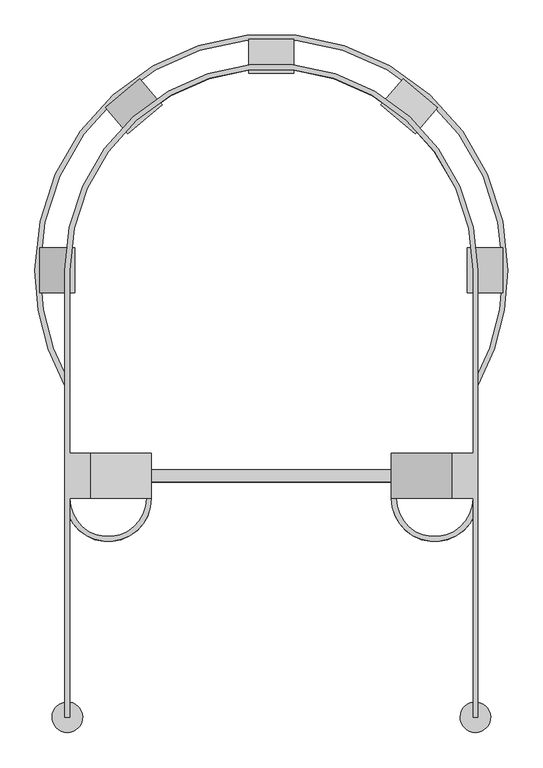
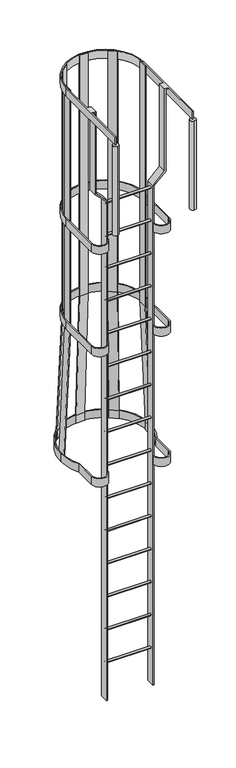
"""IFC4 building model written with IfcOpenShell, lengths in millimetres: proxy geometry."""

from ifc_helpers import new_model, si_unit, point, frame, frame_2d, origin, place, context, project, spatial, polyline, circle_curve, trimmed, segment, composite_curve, outline, extrude, source, transform, mapped, element, save
from ifc_brep_helpers import plane_surface, cylinder_surface, revolved_surface, advanced_brep


def specialty_equipment_8408ae57(model_context):
    return source(origin(), model_context, "Body", "SolidModel", [
        extrude(outline(composite_curve([segment(trimmed(circle_curve(frame_2d((272.0, 365.2)), 72.0), [point((344.0, 365.2))], [point((200.0, 365.2))], False, "CARTESIAN"), True, "CONTINUOUS"), segment(polyline([(200.0, 365.2), (208.0, 365.2)]), True, "CONTINUOUS"), segment(trimmed(circle_curve(frame_2d((272.0, 365.2)), 64.0), [point((208.0, 365.2))], [point((336.0, 365.2))], True, "CARTESIAN"), True, "CONTINUOUS"), segment(polyline([(336.0, 365.2), (336.0, 745.2)]), True, "CONTINUOUS"), segment(trimmed(circle_curve(frame_2d((0.0, 745.2)), 336.0), [point((336.0, 745.2))], [point((-336.0, 745.2))], True, "CARTESIAN"), True, "CONTINUOUS"), segment(polyline([(-336.0, 745.2), (-336.0, 365.2)]), True, "CONTINUOUS"), segment(trimmed(circle_curve(frame_2d((-272.0, 365.2)), 64.0), [point((-336.0, 365.2))], [point((-208.0, 365.2))], True, "CARTESIAN"), True, "CONTINUOUS"), segment(polyline([(-208.0, 365.2), (-200.0, 365.2)]), True, "CONTINUOUS"), segment(trimmed(circle_curve(frame_2d((-272.0, 365.2)), 72.0), [point((-200.0, 365.2))], [point((-344.0, 365.2))], False, "CARTESIAN"), True, "CONTINUOUS"), segment(polyline([(-344.0, 365.2), (-344.0, 745.2)]), True, "CONTINUOUS"), segment(trimmed(circle_curve(frame_2d((0.0, 745.2)), 344.0), [point((-344.0, 745.2))], [point((344.0, 745.2))], False, "CARTESIAN"), True, "CONTINUOUS"), segment(polyline([(344.0, 745.2), (344.0, 365.2)]), True, "CONTINUOUS")], self_intersect=False)), frame((0.0, 0.0, -1335.0), z_axis=(0.0, 0.0, 1.0), x_axis=(1.0, 0.0, 0.0)), (0.0, 0.0, 1.0), 75.0),
        extrude(outline(composite_curve([segment(trimmed(circle_curve(frame_2d((402.7, -4270.0)), 10.0), [point((392.7, -4270.0))], [point((412.7, -4270.0))], False, "CARTESIAN"), True, "CONTINUOUS"), segment(trimmed(circle_curve(frame_2d((402.7, -4270.0)), 10.0), [point((412.7, -4270.0))], [point((392.7, -4270.0))], False, "CARTESIAN"), True, "CONTINUOUS")], self_intersect=False)), frame((-200.0, 0.0, 0.0), z_axis=(1.0, 0.0, 0.0), x_axis=(0.0, 1.0, 0.0)), (0.0, 0.0, 1.0), 400.0),
        extrude(outline(composite_curve([segment(trimmed(circle_curve(frame_2d((402.7, -3965.0)), 10.0), [point((392.7, -3965.0))], [point((412.7, -3965.0))], False, "CARTESIAN"), True, "CONTINUOUS"), segment(trimmed(circle_curve(frame_2d((402.7, -3965.0)), 10.0), [point((412.7, -3965.0))], [point((392.7, -3965.0))], False, "CARTESIAN"), True, "CONTINUOUS")], self_intersect=False)), frame((-200.0, 0.0, 0.0), z_axis=(1.0, 0.0, 0.0), x_axis=(0.0, 1.0, 0.0)), (0.0, 0.0, 1.0), 400.0),
        extrude(outline(composite_curve([segment(trimmed(circle_curve(frame_2d((402.7, -3660.0)), 10.0), [point((392.7, -3660.0))], [point((412.7, -3660.0))], False, "CARTESIAN"), True, "CONTINUOUS"), segment(trimmed(circle_curve(frame_2d((402.7, -3660.0)), 10.0), [point((412.7, -3660.0))], [point((392.7, -3660.0))], False, "CARTESIAN"), True, "CONTINUOUS")], self_intersect=False)), frame((-200.0, 0.0, 0.0), z_axis=(1.0, 0.0, 0.0), x_axis=(0.0, 1.0, 0.0)), (0.0, 0.0, 1.0), 400.0),
        extrude(outline(composite_curve([segment(trimmed(circle_curve(frame_2d((402.7, -3355.0)), 10.0), [point((392.7, -3355.0))], [point((412.7, -3355.0))], False, "CARTESIAN"), True, "CONTINUOUS"), segment(trimmed(circle_curve(frame_2d((402.7, -3355.0)), 10.0), [point((412.7, -3355.0))], [point((392.7, -3355.0))], False, "CARTESIAN"), True, "CONTINUOUS")], self_intersect=False)), frame((-200.0, 0.0, 0.0), z_axis=(1.0, 0.0, 0.0), x_axis=(0.0, 1.0, 0.0)), (0.0, 0.0, 1.0), 400.0),
        extrude(outline(composite_curve([segment(trimmed(circle_curve(frame_2d((402.7, -3050.0)), 10.0), [point((392.7, -3050.0))], [point((412.7, -3050.0))], False, "CARTESIAN"), True, "CONTINUOUS"), segment(trimmed(circle_curve(frame_2d((402.7, -3050.0)), 10.0), [point((412.7, -3050.0))], [point((392.7, -3050.0))], False, "CARTESIAN"), True, "CONTINUOUS")], self_intersect=False)), frame((-200.0, 0.0, 0.0), z_axis=(1.0, 0.0, 0.0), x_axis=(0.0, 1.0, 0.0)), (0.0, 0.0, 1.0), 400.0),
        extrude(outline(composite_curve([segment(trimmed(circle_curve(frame_2d((402.7, -2745.0)), 10.0), [point((392.7, -2745.0))], [point((412.7, -2745.0))], False, "CARTESIAN"), True, "CONTINUOUS"), segment(trimmed(circle_curve(frame_2d((402.7, -2745.0)), 10.0), [point((412.7, -2745.0))], [point((392.7, -2745.0))], False, "CARTESIAN"), True, "CONTINUOUS")], self_intersect=False)), frame((-200.0, 0.0, 0.0), z_axis=(1.0, 0.0, 0.0), x_axis=(0.0, 1.0, 0.0)), (0.0, 0.0, 1.0), 400.0),
        extrude(outline(composite_curve([segment(trimmed(circle_curve(frame_2d((402.7, -2440.0)), 10.0), [point((392.7, -2440.0))], [point((412.7, -2440.0))], False, "CARTESIAN"), True, "CONTINUOUS"), segment(trimmed(circle_curve(frame_2d((402.7, -2440.0)), 10.0), [point((412.7, -2440.0))], [point((392.7, -2440.0))], False, "CARTESIAN"), True, "CONTINUOUS")], self_intersect=False)), frame((-200.0, 0.0, 0.0), z_axis=(1.0, 0.0, 0.0), x_axis=(0.0, 1.0, 0.0)), (0.0, 0.0, 1.0), 400.0),
        extrude(outline(composite_curve([segment(trimmed(circle_curve(frame_2d((272.0, 365.2)), 72.0), [point((344.0, 365.2))], [point((200.0, 365.2))], False, "CARTESIAN"), True, "CONTINUOUS"), segment(polyline([(200.0, 365.2), (208.0, 365.2)]), True, "CONTINUOUS"), segment(trimmed(circle_curve(frame_2d((272.0, 365.2)), 64.0), [point((208.0, 365.2))], [point((336.0, 365.2))], True, "CARTESIAN"), True, "CONTINUOUS"), segment(polyline([(336.0, 365.2), (336.0, 745.2)]), True, "CONTINUOUS"), segment(trimmed(circle_curve(frame_2d((0.0, 745.2)), 336.0), [point((336.0, 745.2))], [point((-336.0, 745.2))], True, "CARTESIAN"), True, "CONTINUOUS"), segment(polyline([(-336.0, 745.2), (-336.0, 365.2)]), True, "CONTINUOUS"), segment(trimmed(circle_curve(frame_2d((-272.0, 365.2)), 64.0), [point((-336.0, 365.2))], [point((-208.0, 365.2))], True, "CARTESIAN"), True, "CONTINUOUS"), segment(polyline([(-208.0, 365.2), (-200.0, 365.2)]), True, "CONTINUOUS"), segment(trimmed(circle_curve(frame_2d((-272.0, 365.2)), 72.0), [point((-200.0, 365.2))], [point((-344.0, 365.2))], False, "CARTESIAN"), True, "CONTINUOUS"), segment(polyline([(-344.0, 365.2), (-344.0, 745.2)]), True, "CONTINUOUS"), segment(trimmed(circle_curve(frame_2d((0.0, 745.2)), 344.0), [point((-344.0, 745.2))], [point((344.0, 745.2))], False, "CARTESIAN"), True, "CONTINUOUS"), segment(polyline([(344.0, 745.2), (344.0, 365.2)]), True, "CONTINUOUS")], self_intersect=False)), frame((0.0, 0.0, -385.0), z_axis=(0.0, 0.0, 1.0), x_axis=(1.0, 0.0, 0.0)), (0.0, 0.0, 1.0), 75.0),
        extrude(outline(composite_curve([segment(trimmed(circle_curve(frame_2d((402.7, -2135.0)), 10.0), [point((392.7, -2135.0))], [point((412.7, -2135.0))], False, "CARTESIAN"), True, "CONTINUOUS"), segment(trimmed(circle_curve(frame_2d((402.7, -2135.0)), 10.0), [point((412.7, -2135.0))], [point((392.7, -2135.0))], False, "CARTESIAN"), True, "CONTINUOUS")], self_intersect=False)), frame((-200.0, 0.0, 0.0), z_axis=(1.0, 0.0, 0.0), x_axis=(0.0, 1.0, 0.0)), (0.0, 0.0, 1.0), 400.0),
        extrude(outline(composite_curve([segment(trimmed(circle_curve(frame_2d((402.7, -1830.0)), 10.0), [point((392.7, -1830.0))], [point((412.7, -1830.0))], False, "CARTESIAN"), True, "CONTINUOUS"), segment(trimmed(circle_curve(frame_2d((402.7, -1830.0)), 10.0), [point((412.7, -1830.0))], [point((392.7, -1830.0))], False, "CARTESIAN"), True, "CONTINUOUS")], self_intersect=False)), frame((-200.0, 0.0, 0.0), z_axis=(1.0, 0.0, 0.0), x_axis=(0.0, 1.0, 0.0)), (0.0, 0.0, 1.0), 400.0),
        extrude(outline(composite_curve([segment(trimmed(circle_curve(frame_2d((402.7, -1525.0)), 10.0), [point((392.7, -1525.0))], [point((412.7, -1525.0))], False, "CARTESIAN"), True, "CONTINUOUS"), segment(trimmed(circle_curve(frame_2d((402.7, -1525.0)), 10.0), [point((412.7, -1525.0))], [point((392.7, -1525.0))], False, "CARTESIAN"), True, "CONTINUOUS")], self_intersect=False)), frame((-200.0, 0.0, 0.0), z_axis=(1.0, 0.0, 0.0), x_axis=(0.0, 1.0, 0.0)), (0.0, 0.0, 1.0), 400.0),
        extrude(outline(composite_curve([segment(trimmed(circle_curve(frame_2d((402.7, -1220.0)), 10.0), [point((392.7, -1220.0))], [point((412.7, -1220.0))], False, "CARTESIAN"), True, "CONTINUOUS"), segment(trimmed(circle_curve(frame_2d((402.7, -1220.0)), 10.0), [point((412.7, -1220.0))], [point((392.7, -1220.0))], False, "CARTESIAN"), True, "CONTINUOUS")], self_intersect=False)), frame((-200.0, 0.0, 0.0), z_axis=(1.0, 0.0, 0.0), x_axis=(0.0, 1.0, 0.0)), (0.0, 0.0, 1.0), 400.0),
        extrude(outline(composite_curve([segment(trimmed(circle_curve(frame_2d((402.7, -915.0)), 10.0), [point((392.7, -915.0))], [point((412.7, -915.0))], False, "CARTESIAN"), True, "CONTINUOUS"), segment(trimmed(circle_curve(frame_2d((402.7, -915.0)), 10.0), [point((412.7, -915.0))], [point((392.7, -915.0))], False, "CARTESIAN"), True, "CONTINUOUS")], self_intersect=False)), frame((-200.0, 0.0, 0.0), z_axis=(1.0, 0.0, 0.0), x_axis=(0.0, 1.0, 0.0)), (0.0, 0.0, 1.0), 400.0),
        extrude(outline(composite_curve([segment(trimmed(circle_curve(frame_2d((402.7, -610.0)), 10.0), [point((392.7, -610.0))], [point((412.7, -610.0))], False, "CARTESIAN"), True, "CONTINUOUS"), segment(trimmed(circle_curve(frame_2d((402.7, -610.0)), 10.0), [point((412.7, -610.0))], [point((392.7, -610.0))], False, "CARTESIAN"), True, "CONTINUOUS")], self_intersect=False)), frame((-200.0, 0.0, 0.0), z_axis=(1.0, 0.0, 0.0), x_axis=(0.0, 1.0, 0.0)), (0.0, 0.0, 1.0), 400.0),
        extrude(outline(composite_curve([segment(trimmed(circle_curve(frame_2d((402.7, -305.0)), 10.0), [point((392.7, -305.0))], [point((412.7, -305.0))], False, "CARTESIAN"), True, "CONTINUOUS"), segment(trimmed(circle_curve(frame_2d((402.7, -305.0)), 10.0), [point((412.7, -305.0))], [point((392.7, -305.0))], False, "CARTESIAN"), True, "CONTINUOUS")], self_intersect=False)), frame((-200.0, 0.0, 0.0), z_axis=(1.0, 0.0, 0.0), x_axis=(0.0, 1.0, 0.0)), (0.0, 0.0, 1.0), 400.0),
        extrude(outline(composite_curve([segment(trimmed(circle_curve(frame_2d((402.7, 0.0)), 10.0), [point((392.7, 0.0))], [point((412.7, 0.0))], False, "CARTESIAN"), True, "CONTINUOUS"), segment(trimmed(circle_curve(frame_2d((402.7, 0.0)), 10.0), [point((412.7, 0.0))], [point((392.7, 0.0))], False, "CARTESIAN"), True, "CONTINUOUS")], self_intersect=False)), frame((-200.0, 0.0, 0.0), z_axis=(1.0, 0.0, 0.0), x_axis=(0.0, 1.0, 0.0)), (0.0, 0.0, 1.0), 400.0),
        advanced_brep(
        [(-336.03125, 0.0, 900.0), (-344.03125, 0.0, 900.0), (-344.03125, 0.0, 825.0), (-336.03125, 0.0, 825.0), (-336.03125, 365.2, 900.0), (-301.6, 365.2, 900.0), (-301.6, 440.2, 900.0), (-336.03125, 440.2, 900.0), (-336.03125, 745.2, 900.0), (336.03125, 745.2, 900.0), (336.03125, 440.2, 900.0), (301.6, 440.2, 900.0), (301.6, 365.2, 900.0), (336.03125, 365.2, 900.0), (336.03125, 0.0, 900.0), (344.03125, 0.0, 900.0), (344.03125, 745.2, 900.0), (-344.03125, 745.2, 900.0), (-344.03125, 745.2, 825.0), (-344.03125, 25.0780586, 825.0), (344.03125, 745.2, 825.0), (344.03125, 25.0780586, 825.0), (340.0, 25.4, 825.0), (336.03125, 25.0880255, 825.0), (336.03125, 745.2, 825.0), (-336.03125, 745.2, 825.0), (-336.03125, 25.0880255, 825.0), (-340.0, 25.4, 825.0), (-336.03125, 440.2, 890.0), (-336.03125, 365.2, 890.0), (336.03125, 0.0, 825.0), (344.03125, 0.0, 825.0), (336.03125, 365.2, 890.0), (336.03125, 440.2, 890.0), (301.6, 365.2, 137.4921356), (200.0, 365.2, 35.8921356), (200.0, 365.2, -4600.0), (210.0, 365.2, -4600.0), (210.0, 365.2, 31.75), (311.6, 365.2, 133.35), (311.6, 365.2, 890.0), (311.6, 440.2, 890.0), (311.6, 440.2, 133.35), (210.0, 440.2, 31.75), (210.0, 440.2, -4600.0), (200.0, 440.2, -4600.0), (200.0, 440.2, 35.8921356), (301.6, 440.2, 137.4921356), (-311.6, 365.2, 890.0), (-311.6, 365.2, 133.35), (-210.0, 365.2, 31.75), (-210.0, 365.2, -4600.0), (-200.0, 365.2, -4600.0), (-200.0, 365.2, 35.8921356), (-301.6, 365.2, 137.4921356), (-301.6, 440.2, 137.4921356), (-200.0, 440.2, 35.8921356), (-200.0, 440.2, -4600.0), (-210.0, 440.2, -4600.0), (-210.0, 440.2, 31.75), (-311.6, 440.2, 133.35), (-311.6, 440.2, 890.0), (-340.0, 25.4, 0.0), (-340.0, -25.4, 0.0), (-340.0, -25.4, 825.0), (340.0, 25.4, 0.0), (340.0, -25.4, 0.0), (340.0, -25.4, 825.0)],
        [
            (0, 1),
            (1, 2),
            (2, 3),
            (3, 0),
            (0, 4),
            (4, 5),
            (5, 6),
            (6, 7),
            (7, 8),
            (8, 9, circle_curve(frame((0.0, 745.2, 900.0), z_axis=(0.0, 0.0, -1.0), x_axis=(-1.0, 0.0, 0.0)), 336.03125)),
            (9, 10),
            (10, 11),
            (11, 12),
            (12, 13),
            (13, 14),
            (14, 15),
            (15, 16),
            (16, 17, circle_curve(frame((0.0, 745.2, 900.0), z_axis=(0.0, 0.0, 1.0), x_axis=(-1.0, 0.0, 0.0)), 344.03125)),
            (17, 1),
            (17, 18),
            (18, 19),
            (19, 2),
            (18, 20, circle_curve(frame((0.0, 745.2, 825.0), z_axis=(0.0, 0.0, -1.0), x_axis=(-1.0, 0.0, 0.0)), 344.03125)),
            (20, 21),
            (21, 22, circle_curve(frame((340.0, 0.0, 825.0), z_axis=(0.0, 0.0, 1.0), x_axis=(0.0, -1.0, 0.0)), 25.4)),
            (22, 23, circle_curve(frame((340.0, 0.0, 825.0), z_axis=(0.0, 0.0, 1.0), x_axis=(0.0, -1.0, 0.0)), 25.4)),
            (23, 24),
            (24, 25, circle_curve(frame((0.0, 745.2, 825.0), z_axis=(0.0, 0.0, 1.0), x_axis=(-1.0, 0.0, 0.0)), 336.03125)),
            (25, 26),
            (26, 27, circle_curve(frame((-340.0, 0.0, 825.0), z_axis=(0.0, 0.0, 1.0), x_axis=(0.0, -1.0, 0.0)), 25.4)),
            (27, 19, circle_curve(frame((-340.0, 0.0, 825.0), z_axis=(0.0, 0.0, 1.0), x_axis=(0.0, -1.0, 0.0)), 25.4)),
            (3, 26),
            (25, 8),
            (7, 28),
            (28, 29),
            (29, 4),
            (16, 20),
            (24, 9),
            (14, 30),
            (30, 31),
            (31, 15),
            (31, 21),
            (23, 30),
            (13, 32),
            (32, 33),
            (33, 10),
            (12, 34),
            (34, 35),
            (35, 36),
            (36, 37),
            (37, 38),
            (38, 39),
            (39, 40),
            (40, 32),
            (41, 42),
            (42, 43),
            (43, 44),
            (44, 45),
            (45, 46),
            (46, 47),
            (47, 11),
            (33, 41),
            (47, 34),
            (46, 35),
            (45, 36),
            (44, 37),
            (43, 38),
            (42, 39),
            (41, 40),
            (48, 49),
            (49, 50),
            (50, 51),
            (51, 52),
            (52, 53),
            (53, 54),
            (54, 5),
            (29, 48),
            (6, 55),
            (55, 56),
            (56, 57),
            (57, 58),
            (58, 59),
            (59, 60),
            (60, 61),
            (61, 28),
            (48, 61),
            (60, 49),
            (59, 50),
            (58, 51),
            (57, 52),
            (56, 53),
            (55, 54),
            (62, 63, circle_curve(frame((-340.0, 0.0, 0.0), z_axis=(0.0, 0.0, -1.0), x_axis=(0.0, -1.0, 0.0)), 25.4)),
            (63, 62, circle_curve(frame((-340.0, 0.0, 0.0), z_axis=(0.0, 0.0, -1.0), x_axis=(0.0, -1.0, 0.0)), 25.4)),
            (19, 64, circle_curve(frame((-340.0, 0.0, 825.0), z_axis=(0.0, 0.0, 1.0), x_axis=(0.0, -1.0, 0.0)), 25.4)),
            (64, 26, circle_curve(frame((-340.0, 0.0, 825.0), z_axis=(0.0, 0.0, 1.0), x_axis=(0.0, -1.0, 0.0)), 25.4)),
            (62, 27),
            (64, 63),
            (65, 66, circle_curve(frame((340.0, 0.0, 0.0), z_axis=(0.0, 0.0, -1.0), x_axis=(0.0, -1.0, 0.0)), 25.4)),
            (66, 65, circle_curve(frame((340.0, 0.0, 0.0), z_axis=(0.0, 0.0, -1.0), x_axis=(0.0, -1.0, 0.0)), 25.4)),
            (67, 21, circle_curve(frame((340.0, 0.0, 825.0), z_axis=(0.0, 0.0, 1.0), x_axis=(0.0, -1.0, 0.0)), 25.4)),
            (23, 67, circle_curve(frame((340.0, 0.0, 825.0), z_axis=(0.0, 0.0, 1.0), x_axis=(0.0, -1.0, 0.0)), 25.4)),
            (65, 22),
            (67, 66),
        ],
        [
            plane_surface(frame((-340.0, 0.0, 0.0), z_axis=(0.0, -1.0, 0.0), x_axis=(0.0, 0.0, 1.0))),
            plane_surface(frame((-336.03125, 0.0, 900.0), z_axis=(0.0, 0.0, 1.0), x_axis=(0.0, 1.0, 0.0))),
            plane_surface(frame((-344.03125, 0.0, 900.0), z_axis=(-1.0, 0.0, 0.0), x_axis=(0.0, 1.0, 0.0))),
            plane_surface(frame((-344.03125, 0.0, 825.0), z_axis=(0.0, 0.0, -1.0), x_axis=(0.0, 1.0, 0.0))),
            plane_surface(frame((-336.03125, 0.0, 825.0), z_axis=(1.0, 0.0, 0.0), x_axis=(0.0, 1.0, 0.0))),
            cylinder_surface(frame((0.0, 745.2, 0.0), z_axis=(0.0, 0.0, -1.0), x_axis=(-1.0, 0.0, 0.0)), 344.03125),
            revolved_surface(polyline([(-336.03125, 745.2, 825.0), (-336.03125, 745.2, 900.0)]), (0.0, 745.2, 0.0), (0.0, 0.0, -1.0)),
            plane_surface(frame((340.0, 0.0, 0.0), z_axis=(0.0, -1.0, 0.0), x_axis=(0.0, 0.0, 1.0))),
            plane_surface(frame((344.03125, 745.2, 900.0), z_axis=(1.0, 0.0, 0.0), x_axis=(0.0, -1.0, 0.0))),
            plane_surface(frame((336.03125, 745.2, 825.0), z_axis=(-1.0, 0.0, 0.0), x_axis=(0.0, -1.0, 0.0))),
            plane_surface(frame((270.9170109, 365.2, 0.0), z_axis=(0.0, -1.0, 0.0), x_axis=(0.0, 0.0, 1.0))),
            plane_surface(frame((270.9170109, 440.2, 0.0), z_axis=(0.0, 1.0, 0.0), x_axis=(0.0, 0.0, 1.0))),
            plane_surface(frame((301.6, 365.2, 900.0), z_axis=(-1.0, 0.0, 0.0), x_axis=(0.0, 1.0, 0.0))),
            plane_surface(frame((301.6, 365.2, 137.4921356), z_axis=(-0.7071067811865553, 0.0, 0.7071067811865398), x_axis=(0.0, 1.0, 0.0))),
            plane_surface(frame((200.0, 365.2, 35.8921356), z_axis=(-1.0, 0.0, 0.0), x_axis=(0.0, 1.0, 0.0))),
            plane_surface(frame((200.0, 365.2, -4600.0), z_axis=(0.0, 0.0, -1.0), x_axis=(0.0, 1.0, 0.0))),
            plane_surface(frame((210.0, 365.2, -4600.0), z_axis=(1.0, 0.0, 0.0), x_axis=(0.0, 1.0, 0.0))),
            plane_surface(frame((210.0, 365.2, 31.75), z_axis=(0.707106781186555, 0.0, -0.7071067811865401), x_axis=(0.0, 1.0, 0.0))),
            plane_surface(frame((311.6, 365.2, 133.35), z_axis=(1.0, 0.0, 0.0), x_axis=(0.0, 1.0, 0.0))),
            plane_surface(frame((311.6, 365.2, 890.0), z_axis=(0.0, 0.0, -1.0), x_axis=(0.0, 1.0, 0.0))),
            plane_surface(frame((-514.625, 365.2, 0.0), z_axis=(0.0, -1.0, 0.0), x_axis=(0.0, 0.0, 1.0))),
            plane_surface(frame((-514.625, 440.2, 0.0), z_axis=(0.0, 1.0, 0.0), x_axis=(0.0, 0.0, 1.0))),
            plane_surface(frame((-311.6, 365.2, 890.0), z_axis=(-1.0, 0.0, 0.0), x_axis=(0.0, 1.0, 0.0))),
            plane_surface(frame((-311.6, 365.2, 133.35), z_axis=(-0.7071067811865539, 0.0, -0.7071067811865411), x_axis=(0.0, 1.0, 0.0))),
            plane_surface(frame((-210.0, 365.2, 31.75), z_axis=(-1.0, 0.0, 0.0), x_axis=(0.0, 1.0, 0.0))),
            plane_surface(frame((-210.0, 365.2, -4600.0), z_axis=(0.0, 0.0, -1.0), x_axis=(0.0, 1.0, 0.0))),
            plane_surface(frame((-200.0, 365.2, -4600.0), z_axis=(1.0, 0.0, 0.0), x_axis=(0.0, 1.0, 0.0))),
            plane_surface(frame((-200.0, 365.2, 35.8921356), z_axis=(0.7071067811865526, 0.0, 0.7071067811865425), x_axis=(0.0, 1.0, 0.0))),
            plane_surface(frame((-301.6, 365.2, 137.4921356), z_axis=(1.0, 0.0, 0.0), x_axis=(0.0, 1.0, 0.0))),
            plane_surface(frame((-340.0, 365.2, 890.0), z_axis=(0.0, 0.0, -1.0), x_axis=(0.0, 1.0, 0.0))),
            plane_surface(frame((0.0, -25.4, 0.0), z_axis=(0.0, 0.0, -1.0), x_axis=(1.0, 0.0, 0.0))),
            plane_surface(frame((0.0, -25.4, 825.0), z_axis=(0.0, 0.0, 1.0), x_axis=(1.0, 0.0, 0.0))),
            cylinder_surface(frame((-340.0, 0.0, 0.0), z_axis=(0.0, 0.0, -1.0), x_axis=(0.0, -1.0, 0.0)), 25.4),
            cylinder_surface(frame((340.0, 0.0, 0.0), z_axis=(0.0, 0.0, -1.0), x_axis=(0.0, -1.0, 0.0)), 25.4),
        ],
        [
            (0, [[1, 2, 3, 4]]),
            (1, [[-1, 5, 6, 7, 8, 9, 10, 11, 12, 13, 14, 15, 16, 17, 18, 19]]),
            (2, [[-2, -19, 20, 21, 22]]),
            (3, [[23, 24, 25, 26, 27, 28, 29, 30, 31, -21]]),
            (4, [[-4, 32, -29, 33, -9, 34, 35, 36, -5]]),
            (5, [[-18, 37, -23, -20]]),
            (6, [[-10, -33, -28, 38]]),
            (7, [[-16, 39, 40, 41]]),
            (8, [[-17, -41, 42, -24, -37]]),
            (9, [[-38, -27, 43, -39, -15, 44, 45, 46, -11]]),
            (10, [[47, 48, 49, 50, 51, 52, 53, 54, -44, -14]]),
            (11, [[55, 56, 57, 58, 59, 60, 61, -12, -46, 62]]),
            (12, [[-47, -13, -61, 63]]),
            (13, [[-48, -63, -60, 64]]),
            (14, [[-49, -64, -59, 65]]),
            (15, [[-50, -65, -58, 66]]),
            (16, [[-51, -66, -57, 67]]),
            (17, [[-52, -67, -56, 68]]),
            (18, [[-53, -68, -55, 69]]),
            (19, [[-69, -62, -45, -54]]),
            (20, [[70, 71, 72, 73, 74, 75, 76, -6, -36, 77]]),
            (21, [[78, 79, 80, 81, 82, 83, 84, 85, -34, -8]]),
            (22, [[-70, 86, -84, 87]]),
            (23, [[-71, -87, -83, 88]]),
            (24, [[-72, -88, -82, 89]]),
            (25, [[-73, -89, -81, 90]]),
            (26, [[-74, -90, -80, 91]]),
            (27, [[-75, -91, -79, 92]]),
            (28, [[-76, -92, -78, -7]]),
            (29, [[-86, -77, -35, -85]]),
            (30, [[93, 94]]),
            (31, [[95, 96, -32, -3, -22]]),
            (32, [[-93, 97, -30, -96, 98]]),
            (32, [[-94, -98, -95, -31, -97]]),
            (30, [[99, 100]]),
            (31, [[101, -42, -40, -43, 102]]),
            (33, [[-99, 103, -25, -101, 104]]),
            (33, [[-100, -104, -102, -26, -103]]),
        ],
    ),
        extrude(outline(polyline([(0.0, -8.0), (0.0, 0.0), (2235.176126, 0.0), (3370.176126, -50.0), (3445.0, -50.0), (3445.0, -58.0), (3370.0, -58.0), (2235.0, -8.0), (0.0, -8.0)])), frame((239.5610026, 972.358042, 900.0), z_axis=(-0.7660444431189735, 0.6427876096865449, 0.0), x_axis=(0.0, 0.0, -1.0)), (0.0, 0.0, 1.0), 75.0),
        extrude(outline(polyline([(0.0, -8.0000001), (0.0, 0.0), (2235.0, 0.0), (3370.0, 49.9999999), (3445.0, 49.9999999), (3445.0, 41.9999999), (3370.176126, 41.9999999), (2235.176126, -8.0000001), (0.0, -8.0000001)])), frame((-244.7230809, 978.4656505, 900.0), z_axis=(0.7659899441659141, 0.6428525534185112, 0.0), x_axis=(0.0, 0.0, -1.0)), (0.0, 0.0, 1.0), 75.0),
        extrude(outline(polyline([(1073.2, 900.0), (1081.2, 900.0), (1081.2, -1335.0), (1131.2, -2470.0), (1131.2, -2545.0), (1123.2, -2545.0), (1123.2, -2470.176126), (1073.2, -1335.176126), (1073.2, 900.0)])), frame((-37.5, 0.0, 0.0), z_axis=(1.0, 0.0, 0.0), x_axis=(0.0, 1.0, 0.0)), (0.0, 0.0, 1.0), 75.0),
        extrude(outline(polyline([(900.0, -328.0), (900.0, -336.0), (-1335.0, -336.0), (-2470.0, -386.0), (-2545.0, -386.0), (-2545.0, -378.0), (-2470.176126, -378.0), (-1335.176126, -328.0), (900.0, -328.0)])), frame((0.0, 707.7, 0.0), z_axis=(0.0, 1.0, 0.0), x_axis=(0.0, 0.0, 1.0)), (0.0, 0.0, 1.0), 75.0),
        extrude(outline(polyline([(900.0, 336.03125), (900.0, 326.03125), (-1335.2194696, 326.03125), (-2470.2194696, 376.03125), (-2545.0, 376.03125), (-2545.0, 386.03125), (-2469.999312, 386.03125), (-1334.999312, 336.03125), (900.0, 336.03125)])), frame((0.0, 707.7, 0.0), z_axis=(0.0, 1.0, 0.0), x_axis=(0.0, 0.0, 1.0)), (0.0, 0.0, 1.0), 75.0),
        extrude(outline(composite_curve([segment(trimmed(circle_curve(frame_2d((0.0, 745.2)), 394.03125), [point((394.03125, 745.2))], [point((344.03125, 553.098139))], False, "CARTESIAN"), True, "CONTINUOUS"), segment(polyline([(344.03125, 553.098139), (344.03125, 365.2)]), True, "CONTINUOUS"), segment(trimmed(circle_curve(frame_2d((272.0, 365.2)), 72.03125), [point((344.03125, 365.2))], [point((199.96875, 365.2))], False, "CARTESIAN"), True, "CONTINUOUS"), segment(polyline([(199.96875, 365.2), (207.96875, 365.2)]), True, "CONTINUOUS"), segment(trimmed(circle_curve(frame_2d((272.0, 365.2)), 64.03125), [point((207.96875, 365.2))], [point((336.03125, 365.2))], True, "CARTESIAN"), True, "CONTINUOUS"), segment(polyline([(336.03125, 365.2), (336.03125, 555.1917765)]), True, "CONTINUOUS"), segment(trimmed(circle_curve(frame_2d((0.0, 745.2)), 386.03125), [point((336.03125, 555.1917765))], [point((386.03125, 745.2))], True, "CARTESIAN"), True, "CONTINUOUS"), segment(trimmed(circle_curve(frame_2d((0.0, 745.2)), 386.03125), [point((386.03125, 745.2))], [point((-386.03125, 745.2))], True, "CARTESIAN"), True, "CONTINUOUS"), segment(trimmed(circle_curve(frame_2d((0.0, 745.2)), 386.03125), [point((-386.03125, 745.2))], [point((-336.03125, 555.1917765))], True, "CARTESIAN"), True, "CONTINUOUS"), segment(polyline([(-336.03125, 555.1917765), (-336.03125, 365.2)]), True, "CONTINUOUS"), segment(trimmed(circle_curve(frame_2d((-272.0, 365.2)), 64.03125), [point((-336.03125, 365.2))], [point((-207.96875, 365.2))], True, "CARTESIAN"), True, "CONTINUOUS"), segment(polyline([(-207.96875, 365.2), (-199.96875, 365.2)]), True, "CONTINUOUS"), segment(trimmed(circle_curve(frame_2d((-272.0, 365.2)), 72.03125), [point((-199.96875, 365.2))], [point((-344.03125, 365.2))], False, "CARTESIAN"), True, "CONTINUOUS"), segment(polyline([(-344.03125, 365.2), (-344.03125, 553.098139)]), True, "CONTINUOUS"), segment(trimmed(circle_curve(frame_2d((0.0, 745.2)), 394.03125), [point((-344.03125, 553.098139))], [point((-394.03125, 745.2))], False, "CARTESIAN"), True, "CONTINUOUS"), segment(trimmed(circle_curve(frame_2d((0.0, 745.2)), 394.03125), [point((-394.03125, 745.2))], [point((394.03125, 745.2))], False, "CARTESIAN"), True, "CONTINUOUS")], self_intersect=False)), frame((0.0, 0.0, -2545.0), z_axis=(0.0, 0.0, 1.0), x_axis=(1.0, 0.0, 0.0)), (0.0, 0.0, 1.0), 75.0),
    ])


if __name__ == "__main__":
    model = new_model("IFC4")
    model_context = context("Model", 3, world=origin())
    ifc_project = project(units=[si_unit("LENGTHUNIT", "METRE", prefix="MILLI")], contexts=[model_context])
    site = spatial("IfcSite", under=ifc_project)
    building = spatial("IfcBuilding", under=site)
    placement = place(None, origin())
    specialty_equipment_shape = specialty_equipment_8408ae57(model_context)
    element("IfcBuildingElementProxy", 1, Name="Specialty Equipment", at=placement, inside=building, context=model_context, shape_type="MappedRepresentation", body=[
        mapped(specialty_equipment_shape, transform((0.0, 0.0, 0.0), x_axis=(1.0, 0.0, 0.0), y_axis=(0.0, 1.0, 0.0), z_axis=(0.0, 0.0, 1.0))),
    ])
    save(model, "model.ifc")
